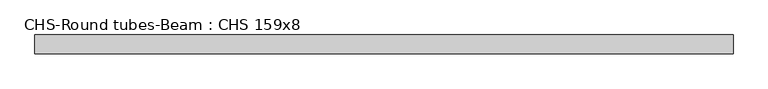
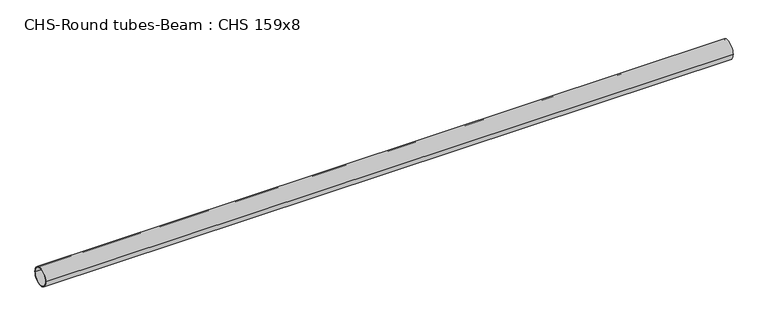
"""IFC4 building model written with IfcOpenShell, lengths in millimetres: beam geometry, CHS-Round tubes-Beam : CHS 159x8."""

from ifc_helpers import new_model, si_unit, point, frame, origin, origin_2d, place, context, project, spatial, circle_curve, trimmed, segment, composite_curve, outline, extrude, source, transform, mapped, element, save


def chs_round_tubes_beam_chs_159x8_ee247220(model_context):
    return source(origin(), model_context, "Body", "SweptSolid", [
        extrude(outline(composite_curve([segment(trimmed(circle_curve(origin_2d(), 79.5), [point((79.5, 0.0))], [point((-79.5, 0.0))], False, "CARTESIAN"), True, "CONTINUOUS"), segment(trimmed(circle_curve(origin_2d(), 79.5), [point((-79.5, 0.0))], [point((79.5, 0.0))], False, "CARTESIAN"), True, "CONTINUOUS")], self_intersect=False), holes=[composite_curve([segment(trimmed(circle_curve(origin_2d(), 71.5), [point((71.5, 0.0))], [point((-71.5, 0.0))], True, "CARTESIAN"), True, "CONTINUOUS"), segment(trimmed(circle_curve(origin_2d(), 71.5), [point((-71.5, 0.0))], [point((71.5, 0.0))], True, "CARTESIAN"), True, "CONTINUOUS")], self_intersect=False)]), frame((-2942.7627723, 0.0, 0.0), z_axis=(1.0, 0.0, 0.0), x_axis=(0.0, 1.0, 0.0)), (0.0, 0.0, 1.0), 5871.9262028),
    ])


if __name__ == "__main__":
    model = new_model("IFC4")
    model_context = context("Model", 3, world=origin())
    ifc_project = project(units=[si_unit("LENGTHUNIT", "METRE", prefix="MILLI")], contexts=[model_context])
    site = spatial("IfcSite", under=ifc_project)
    building = spatial("IfcBuilding", under=site)
    placement = place(None, origin())
    chs_round_tubes_beam_chs_159x8_shape = chs_round_tubes_beam_chs_159x8_ee247220(model_context)
    element("IfcBeam", 1, ObjectType="CHS-Round tubes-Beam : CHS 159x8", at=placement, inside=building, context=model_context, shape_type="MappedRepresentation", body=[
        mapped(chs_round_tubes_beam_chs_159x8_shape, transform((0.0, 0.0, 0.0), x_axis=(1.0, 0.0, 0.0), y_axis=(0.0, 1.0, 0.0), z_axis=(0.0, 0.0, 1.0))),
    ])
    save(model, "model.ifc")
